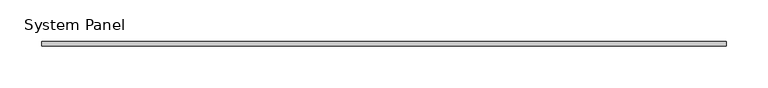
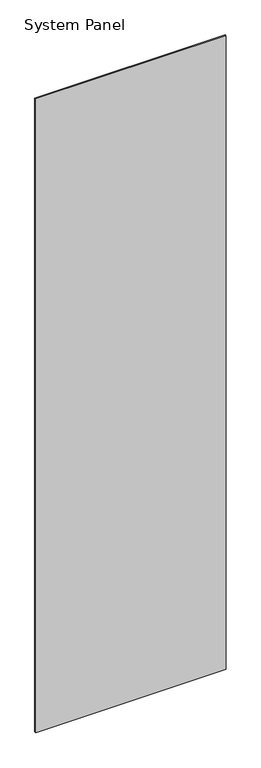
"""IFC4 building model written with IfcOpenShell, lengths in millimetres: plate geometry, System Panel."""

from ifc_helpers import new_model, si_unit, origin, origin_with_axes, place, context, project, spatial, polyline, outline, extrude, source, transform, mapped, element, save


def system_panel_3b8d9981(model_context):
    return source(origin(), model_context, "Body", "SweptSolid", [
        extrude(outline(polyline([(412.5, -3.0), (-412.5, -3.0), (-412.5, 3.0), (412.5, 3.0), (412.5, -3.0)])), origin_with_axes(), (0.0, 0.0, 1.0), 2900.0),
    ])


if __name__ == "__main__":
    model = new_model("IFC4")
    model_context = context("Model", 3, world=origin())
    ifc_project = project(units=[si_unit("LENGTHUNIT", "METRE", prefix="MILLI")], contexts=[model_context])
    site = spatial("IfcSite", under=ifc_project)
    building = spatial("IfcBuilding", under=site)
    placement = place(None, origin())
    system_panel_shape = system_panel_3b8d9981(model_context)
    element("IfcPlate", 1, ObjectType="System Panel", at=placement, inside=building, context=model_context, shape_type="MappedRepresentation", body=[
        mapped(system_panel_shape, transform((0.0, 0.0, 0.0), x_axis=(1.0, 0.0, 0.0), y_axis=(0.0, 1.0, 0.0), z_axis=(0.0, 0.0, 1.0))),
    ])
    save(model, "model.ifc")
